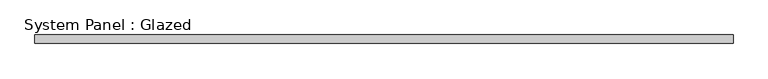
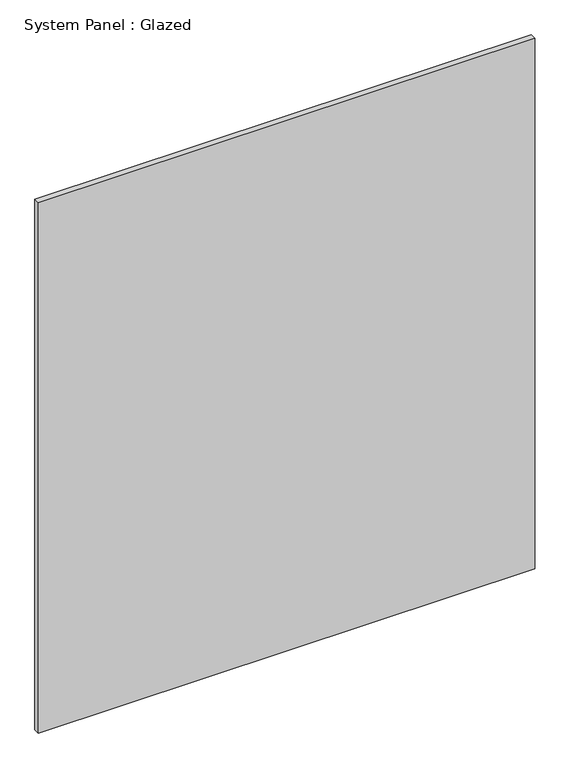
"""IFC4 building model written with IfcOpenShell, lengths in millimetres: plate geometry, System Panel : Glazed."""

from ifc_helpers import new_model, si_unit, origin, origin_with_axes, place, context, project, spatial, polyline, outline, extrude, source, transform, mapped, element, save


def system_panel_glazed_6260f4d6(model_context):
    return source(origin(), model_context, "Body", "SweptSolid", [
        extrude(outline(polyline([(1035.05, 19.05), (-1035.05, 19.05), (-1035.05, 44.45), (1035.05, 44.45), (1035.05, 19.05)])), origin_with_axes(), (0.0, 0.0, 1.0), 2338.1426667),
    ])


if __name__ == "__main__":
    model = new_model("IFC4")
    model_context = context("Model", 3, world=origin())
    ifc_project = project(units=[si_unit("LENGTHUNIT", "METRE", prefix="MILLI")], contexts=[model_context])
    site = spatial("IfcSite", under=ifc_project)
    building = spatial("IfcBuilding", under=site)
    placement = place(None, origin())
    system_panel_glazed_shape = system_panel_glazed_6260f4d6(model_context)
    element("IfcPlate", 1, ObjectType="System Panel : Glazed", at=placement, inside=building, context=model_context, shape_type="MappedRepresentation", body=[
        mapped(system_panel_glazed_shape, transform((0.0, 0.0, 0.0), x_axis=(1.0, 0.0, 0.0), y_axis=(0.0, 1.0, 0.0), z_axis=(0.0, 0.0, 1.0))),
    ])
    save(model, "model.ifc")
